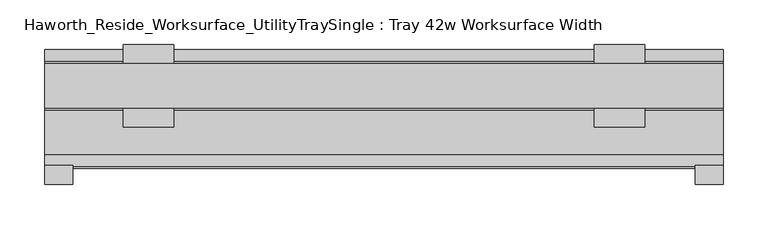
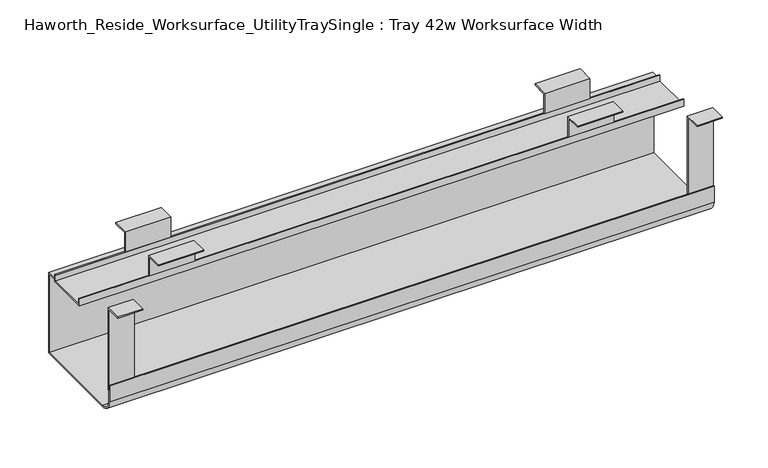
"""IFC4 building model written with IfcOpenShell, lengths in millimetres: furniture geometry, Haworth_Reside_Worksurface_UtilityTraySingle : Tray 42w Worksurface Width."""

from ifc_helpers import new_model, si_unit, point, frame, frame_2d, origin, place, context, project, spatial, polyline, circle_curve, trimmed, segment, composite_curve, outline, extrude, source, transform, mapped, element, save


def haworth_reside_worksurface_utilitytraysingle_tray_42w_91b897d9(model_context):
    return source(origin(), model_context, "Body", "SweptSolid", [
        extrude(outline(polyline([(85.2804983, 731.8375), (85.2804983, 705.0616227), (83.6929983, 705.0616227), (83.6929983, 730.25), (64.1984987, 730.25), (64.1984987, 731.8375), (85.2804983, 731.8375)])), frame((311.94375, 0.0, 0.0), z_axis=(1.0, 0.0, 0.0), x_axis=(0.0, 1.0, 0.0)), (0.0, 0.0, 1.0), 57.15),
        extrude(outline(polyline([(136.0804991, 731.8375), (157.1625, 731.8375), (157.1625, 730.25), (137.6679991, 730.25), (137.6679991, 705.0616227), (136.0804991, 705.0616227), (136.0804991, 731.8375)])), frame((311.94375, 0.0, 0.0), z_axis=(1.0, 0.0, 0.0), x_axis=(0.0, 1.0, 0.0)), (0.0, 0.0, 1.0), 57.15),
        extrude(outline(polyline([(85.2804983, 731.8375), (85.2804983, 705.0616227), (83.6929983, 705.0616227), (83.6929983, 730.25), (64.1984987, 730.25), (64.1984987, 731.8375), (85.2804983, 731.8375)])), frame((-216.69375, 0.0, 0.0), z_axis=(1.0, 0.0, 0.0), x_axis=(0.0, 1.0, 0.0)), (0.0, 0.0, 1.0), 57.15),
        extrude(outline(polyline([(136.0804991, 731.8375), (157.1625, 731.8375), (157.1625, 730.25), (137.6679991, 730.25), (137.6679991, 705.0616227), (136.0804991, 705.0616227), (136.0804991, 731.8375)])), frame((-216.69375, 0.0, 0.0), z_axis=(1.0, 0.0, 0.0), x_axis=(0.0, 1.0, 0.0)), (0.0, 0.0, 1.0), 57.15),
        extrude(outline(polyline([(21.0438957, 731.8375), (21.0438957, 622.3673792), (19.4563957, 622.3673792), (19.4563957, 730.25), (0.0, 730.25), (0.0, 731.8375), (21.0438957, 731.8375)])), frame((425.45, 0.0, 0.0), z_axis=(1.0, 0.0, 0.0), x_axis=(0.0, 1.0, 0.0)), (0.0, 0.0, 1.0), 31.75),
        extrude(outline(polyline([(21.0438957, 731.8375), (21.0438957, 622.3673792), (19.4563957, 622.3673792), (19.4563957, 730.25), (0.0, 730.25), (0.0, 731.8375), (21.0438957, 731.8375)])), frame((-304.8, 0.0, 0.0), z_axis=(1.0, 0.0, 0.0), x_axis=(0.0, 1.0, 0.0)), (0.0, 0.0, 1.0), 31.75),
        extrude(outline(composite_curve([segment(polyline([(151.2189002, 592.1375), (33.7438957, 592.1375)]), True, "CONTINUOUS"), segment(trimmed(circle_curve(frame_2d((33.7438957, 608.0125)), 15.875), [point((33.7438957, 592.1375))], [point((17.8688957, 608.0125))], False, "CARTESIAN"), True, "CONTINUOUS"), segment(polyline([(17.8688957, 608.0125), (17.8688957, 629.0309801), (19.4563957, 629.0309801), (19.4563957, 608.0759608)]), True, "CONTINUOUS"), segment(trimmed(circle_curve(frame_2d((33.7438957, 608.0759608)), 14.2875), [point((19.4563957, 608.0759608))], [point((33.7438957, 593.7884608))], True, "CARTESIAN"), True, "CONTINUOUS"), segment(polyline([(33.7438957, 593.7884608), (149.6314002, 593.7884608), (149.6314002, 698.4364942), (137.6679991, 698.4364942), (137.6679991, 695.8584054), (83.6929983, 695.8584054), (83.6929983, 705.0616227), (85.2804983, 705.0616227), (85.2804983, 697.4459054), (136.0804991, 697.4459054), (136.0804991, 705.0616227), (137.6679991, 705.0616227), (137.6679991, 700.0239942), (151.2189002, 700.0239942), (151.2189002, 592.1375)]), True, "CONTINUOUS")], self_intersect=False)), frame((-304.8, 0.0, 0.0), z_axis=(1.0, 0.0, 0.0), x_axis=(0.0, 1.0, 0.0)), (0.0, 0.0, 1.0), 762.0),
    ])


if __name__ == "__main__":
    model = new_model("IFC4")
    model_context = context("Model", 3, world=origin())
    ifc_project = project(units=[si_unit("LENGTHUNIT", "METRE", prefix="MILLI")], contexts=[model_context])
    site = spatial("IfcSite", under=ifc_project)
    building = spatial("IfcBuilding", under=site)
    placement = place(None, origin())
    haworth_reside_worksurface_utilitytraysingle_tray_42w_shape = haworth_reside_worksurface_utilitytraysingle_tray_42w_91b897d9(model_context)
    element("IfcFurniture", 1, ObjectType="Haworth_Reside_Worksurface_UtilityTraySingle : Tray 42w Worksurface Width", at=placement, inside=building, context=model_context, shape_type="MappedRepresentation", body=[
        mapped(haworth_reside_worksurface_utilitytraysingle_tray_42w_shape, transform((0.0, 0.0, 0.0), x_axis=(1.0, 0.0, 0.0), y_axis=(0.0, 1.0, 0.0), z_axis=(0.0, 0.0, 1.0))),
    ])
    save(model, "model.ifc")
